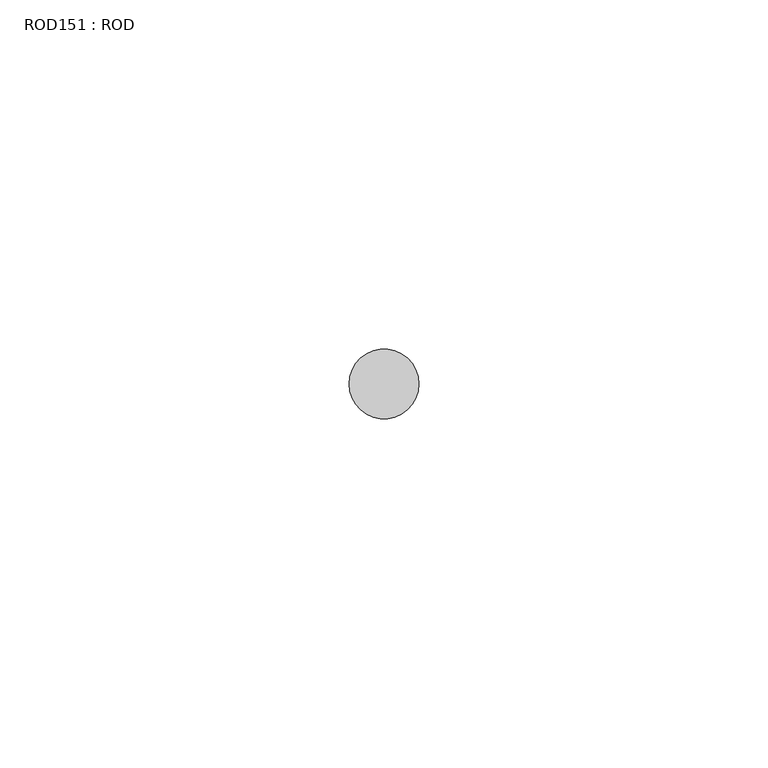
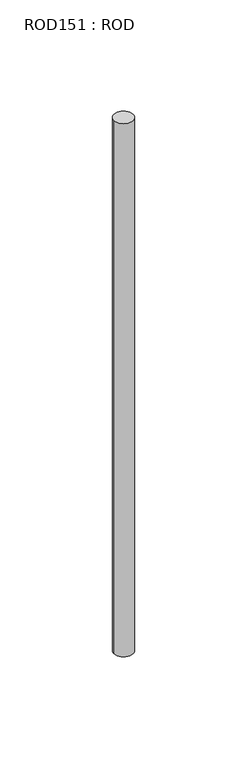
"""IFC4 building model written with IfcOpenShell, lengths in millimetres: proxy geometry, ROD151 : ROD."""

from ifc_helpers import new_model, si_unit, point, frame, frame_2d, origin, place, context, project, spatial, circle_curve, trimmed, segment, composite_curve, outline, extrude, source, transform, mapped, element, save


def rod151_rod_b349d08f(model_context):
    return source(origin(), model_context, "Body", "SweptSolid", [
        extrude(outline(composite_curve([segment(trimmed(circle_curve(frame_2d((-3800.2326676, -21766.6028424)), 5.0), [point((-3805.2326676, -21766.6028424))], [point((-3795.2326676, -21766.6028424))], False, "CARTESIAN"), True, "CONTINUOUS"), segment(trimmed(circle_curve(frame_2d((-3800.2326676, -21766.6028424)), 5.0), [point((-3795.2326676, -21766.6028424))], [point((-3805.2326676, -21766.6028424))], False, "CARTESIAN"), True, "CONTINUOUS")], self_intersect=False)), frame((0.0, 0.0, 166.3391155), z_axis=(0.0, 0.0, 1.0), x_axis=(1.0, 0.0, 0.0)), (0.0, 0.0, 1.0), 298.9028972),
    ])


if __name__ == "__main__":
    model = new_model("IFC4")
    model_context = context("Model", 3, world=origin())
    ifc_project = project(units=[si_unit("LENGTHUNIT", "METRE", prefix="MILLI")], contexts=[model_context])
    site = spatial("IfcSite", under=ifc_project)
    building = spatial("IfcBuilding", under=site)
    placement = place(None, origin())
    rod151_rod_shape = rod151_rod_b349d08f(model_context)
    element("IfcBuildingElementProxy", 1, Name="ROD151 : ROD", ObjectType="ROD151 : ROD", at=placement, inside=building, context=model_context, shape_type="MappedRepresentation", body=[
        mapped(rod151_rod_shape, transform((0.0, 0.0, 0.0), x_axis=(1.0, 0.0, 0.0), y_axis=(0.0, 1.0, 0.0), z_axis=(0.0, 0.0, 1.0))),
    ])
    save(model, "model.ifc")
